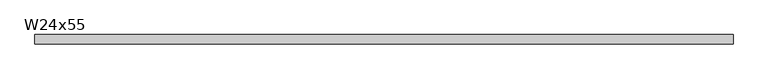
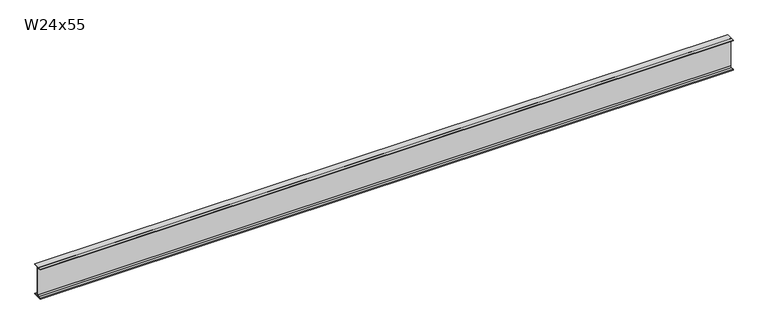
"""IFC4 building model written with IfcOpenShell, lengths in millimetres: beam geometry, W24x55."""

from ifc_helpers import new_model, si_unit, point, frame, frame_2d, origin, place, context, project, spatial, polyline, circle_curve, trimmed, segment, composite_curve, outline, extrude, source, transform, mapped, element, save


def w24x55_390443fa(model_context):
    return source(origin(), model_context, "Body", "SweptSolid", [
        extrude(outline(composite_curve([segment(polyline([(89.027, -286.893), (89.027, -299.72), (-89.027, -299.72), (-89.027, -286.893), (-28.702, -286.893)]), True, "CONTINUOUS"), segment(trimmed(circle_curve(frame_2d((-28.702, -263.2075)), 23.6855), [point((-28.702, -286.893))], [point((-5.0165, -263.2075))], True, "CARTESIAN"), True, "CONTINUOUS"), segment(polyline([(-5.0165, -263.2075), (-5.0165, 263.2075)]), True, "CONTINUOUS"), segment(trimmed(circle_curve(frame_2d((-28.702, 263.2075)), 23.6855), [point((-5.0165, 263.2075))], [point((-28.702, 286.893))], True, "CARTESIAN"), True, "CONTINUOUS"), segment(polyline([(-28.702, 286.893), (-89.027, 286.893), (-89.027, 299.72), (89.027, 299.72), (89.027, 286.893), (28.702, 286.893)]), True, "CONTINUOUS"), segment(trimmed(circle_curve(frame_2d((28.702, 263.2075)), 23.6855), [point((28.702, 286.893))], [point((5.0165, 263.2075))], True, "CARTESIAN"), True, "CONTINUOUS"), segment(polyline([(5.0165, 263.2075), (5.0165, -263.2075)]), True, "CONTINUOUS"), segment(trimmed(circle_curve(frame_2d((28.702, -263.2075)), 23.6855), [point((5.0165, -263.2075))], [point((28.702, -286.893))], True, "CARTESIAN"), True, "CONTINUOUS"), segment(polyline([(28.702, -286.893), (89.027, -286.893)]), True, "CONTINUOUS")], self_intersect=False)), frame((-6478.2356883, 0.0, 0.0), z_axis=(1.0, 0.0, 0.0), x_axis=(0.0, 1.0, 0.0)), (0.0, 0.0, 1.0), 13160.1738652),
    ])


if __name__ == "__main__":
    model = new_model("IFC4")
    model_context = context("Model", 3, world=origin())
    ifc_project = project(units=[si_unit("LENGTHUNIT", "METRE", prefix="MILLI")], contexts=[model_context])
    site = spatial("IfcSite", under=ifc_project)
    building = spatial("IfcBuilding", under=site)
    placement = place(None, origin())
    w24x55_shape = w24x55_390443fa(model_context)
    element("IfcBeam", 1, ObjectType="W24x55", at=placement, inside=building, context=model_context, shape_type="MappedRepresentation", body=[
        mapped(w24x55_shape, transform((0.0, 0.0, 0.0), x_axis=(1.0, 0.0, 0.0), y_axis=(0.0, 1.0, 0.0), z_axis=(0.0, 0.0, 1.0))),
    ])
    save(model, "model.ifc")
